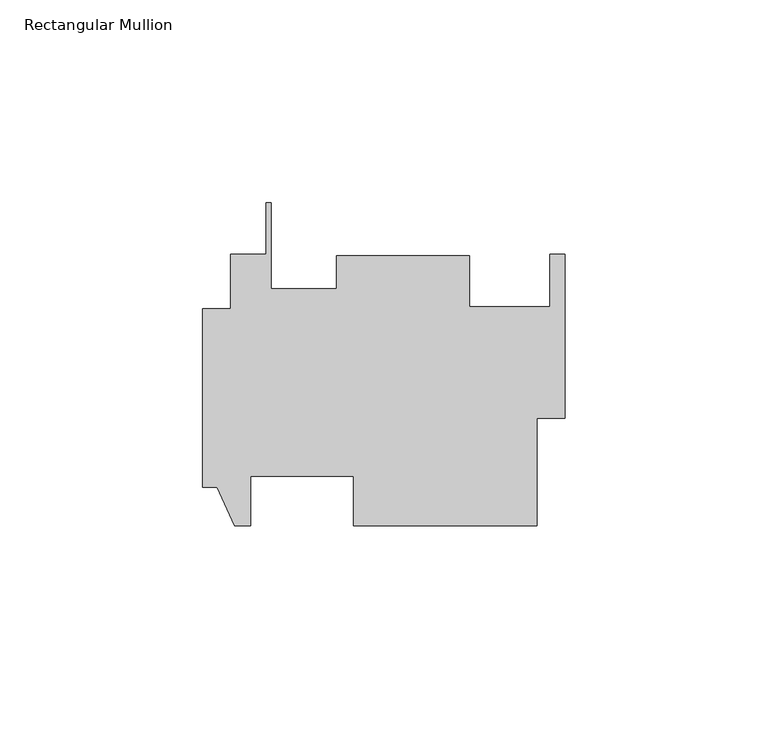
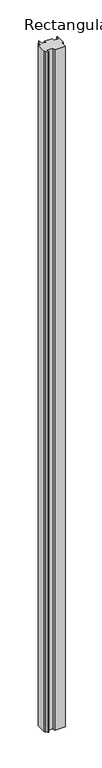
"""IFC4 building model written with IfcOpenShell, lengths in millimetres: member geometry, Rectangular Mullion."""

from ifc_helpers import new_model, si_unit, frame, origin, place, context, project, spatial, polyline, outline, extrude, source, transform, mapped, element, save


def rectangular_mullion_16e59409(model_context):
    return source(origin(), model_context, "Body", "SweptSolid", [
        extrude(outline(polyline([(-89.4588, -24.4954678), (-89.4588, 19.4719322), (-82.55, 19.4719322), (-82.55, 32.9593322), (-73.80478, 32.9593322), (-73.80478, 45.6707575), (-72.53478, 45.6707575), (-72.53478, 24.4877902), (-56.4388, 24.4877902), (-56.4388, 32.5802355), (-23.5712, 32.5802355), (-23.5712, 20.0249606), (-3.7338, 20.0249606), (-3.7338, 32.9233981), (0.0, 32.9233981), (0.0, -7.5282678), (-6.9088, -7.5282678), (-6.9088, -34.0204678), (-52.2224, -34.0204678), (-52.2224, -21.8030678), (-77.6224, -21.8030678), (-77.6224, -34.0204678), (-81.534, -34.0204678), (-85.852, -24.4954678), (-89.4588, -24.4954678)])), frame((0.0, 0.0, -3048.0), z_axis=(0.0, 0.0, 1.0), x_axis=(1.0, 0.0, 0.0)), (0.0, 0.0, 1.0), 3048.0),
    ])


if __name__ == "__main__":
    model = new_model("IFC4")
    model_context = context("Model", 3, world=origin())
    ifc_project = project(units=[si_unit("LENGTHUNIT", "METRE", prefix="MILLI")], contexts=[model_context])
    site = spatial("IfcSite", under=ifc_project)
    building = spatial("IfcBuilding", under=site)
    placement = place(None, origin())
    rectangular_mullion_shape = rectangular_mullion_16e59409(model_context)
    element("IfcMember", 1, ObjectType="Rectangular Mullion", at=placement, inside=building, context=model_context, shape_type="MappedRepresentation", body=[
        mapped(rectangular_mullion_shape, transform((0.0, 0.0, 0.0), x_axis=(1.0, 0.0, 0.0), y_axis=(0.0, 1.0, 0.0), z_axis=(0.0, 0.0, 1.0))),
    ])
    save(model, "model.ifc")
